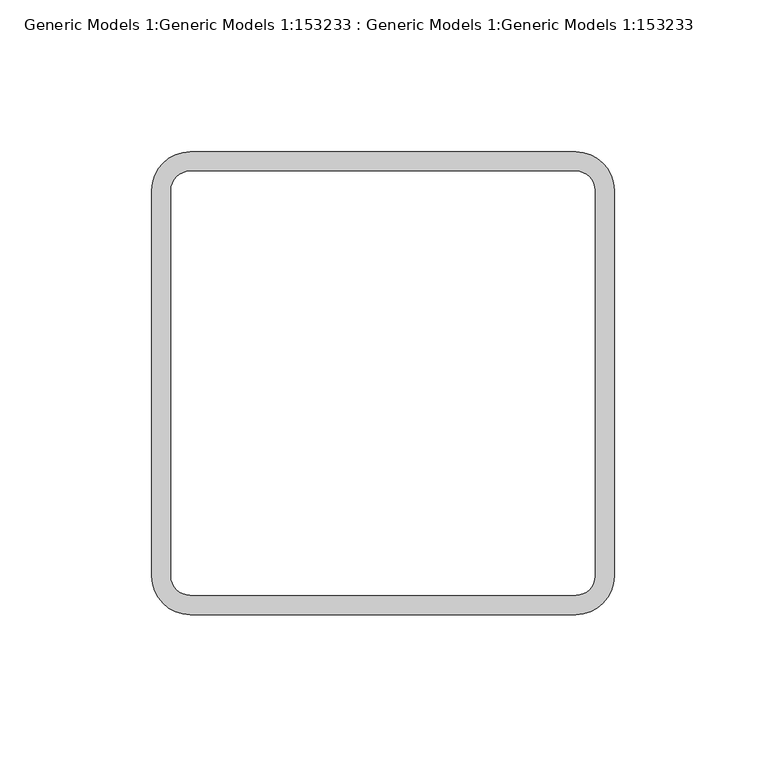
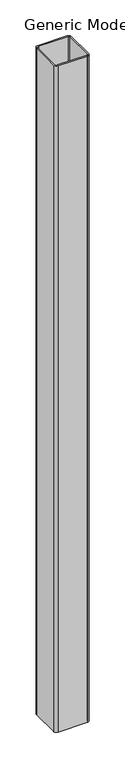
"""IFC4 building model written with IfcOpenShell, lengths in millimetres: proxy geometry, Generic Models 1:Generic Models 1:153233 : Generic Models 1:Generic Models 1:153233."""

from ifc_helpers import new_model, si_unit, point, frame_2d, origin, origin_with_axes, place, context, project, spatial, polyline, circle_curve, trimmed, segment, composite_curve, outline, extrude, source, transform, mapped, element, save


def generic_models_1_generic_models_1_153233_generic_models_1_2c991f72(model_context):
    return source(origin(), model_context, "Body", "SweptSolid", [
        extrude(outline(composite_curve([segment(polyline([(-63.5, 76.2), (63.5, 76.2)]), True, "CONTINUOUS"), segment(trimmed(circle_curve(frame_2d((63.5, 63.5)), 12.7), [point((63.5, 76.2))], [point((76.2, 63.5))], False, "CARTESIAN"), True, "CONTINUOUS"), segment(polyline([(76.2, 63.5), (76.2, -63.5)]), True, "CONTINUOUS"), segment(trimmed(circle_curve(frame_2d((63.5, -63.5)), 12.7), [point((76.2, -63.5))], [point((63.5, -76.2))], False, "CARTESIAN"), True, "CONTINUOUS"), segment(polyline([(63.5, -76.2), (-63.5, -76.2)]), True, "CONTINUOUS"), segment(trimmed(circle_curve(frame_2d((-63.5, -63.5)), 12.7), [point((-63.5, -76.2))], [point((-76.2, -63.5))], False, "CARTESIAN"), True, "CONTINUOUS"), segment(polyline([(-76.2, -63.5), (-76.2, 63.5)]), True, "CONTINUOUS"), segment(trimmed(circle_curve(frame_2d((-63.5, 63.5)), 12.7), [point((-76.2, 63.5))], [point((-63.5, 76.2))], False, "CARTESIAN"), True, "CONTINUOUS")], self_intersect=False), holes=[composite_curve([segment(trimmed(circle_curve(frame_2d((63.5, 63.5)), 6.35), [point((69.85, 63.5))], [point((63.5, 69.85))], True, "CARTESIAN"), True, "CONTINUOUS"), segment(polyline([(63.5, 69.85), (-63.5, 69.85)]), True, "CONTINUOUS"), segment(trimmed(circle_curve(frame_2d((-63.5, 63.5)), 6.35), [point((-63.5, 69.85))], [point((-69.85, 63.5))], True, "CARTESIAN"), True, "CONTINUOUS"), segment(polyline([(-69.85, 63.5), (-69.85, -63.5)]), True, "CONTINUOUS"), segment(trimmed(circle_curve(frame_2d((-63.5, -63.5)), 6.35), [point((-69.85, -63.5))], [point((-63.5, -69.85))], True, "CARTESIAN"), True, "CONTINUOUS"), segment(polyline([(-63.5, -69.85), (63.5, -69.85)]), True, "CONTINUOUS"), segment(trimmed(circle_curve(frame_2d((63.5, -63.5)), 6.35), [point((63.5, -69.85))], [point((69.85, -63.5))], True, "CARTESIAN"), True, "CONTINUOUS"), segment(polyline([(69.85, -63.5), (69.85, 63.5)]), True, "CONTINUOUS")], self_intersect=False)]), origin_with_axes(), (0.0, 0.0, 1.0), 3048.0),
    ])


if __name__ == "__main__":
    model = new_model("IFC4")
    model_context = context("Model", 3, world=origin())
    ifc_project = project(units=[si_unit("LENGTHUNIT", "METRE", prefix="MILLI")], contexts=[model_context])
    site = spatial("IfcSite", under=ifc_project)
    building = spatial("IfcBuilding", under=site)
    placement = place(None, origin())
    generic_models_1_generic_models_1_153233_generic_models_1_shape = generic_models_1_generic_models_1_153233_generic_models_1_2c991f72(model_context)
    element("IfcBuildingElementProxy", 1, Name="Generic Models 1:Generic Models 1:153233 : Generic Models 1:Generic Models 1:153233", ObjectType="Generic Models 1:Generic Models 1:153233 : Generic Models 1:Generic Models 1:153233", at=placement, inside=building, context=model_context, shape_type="MappedRepresentation", body=[
        mapped(generic_models_1_generic_models_1_153233_generic_models_1_shape, transform((0.0, 0.0, 0.0), x_axis=(1.0, 0.0, 0.0), y_axis=(0.0, 1.0, 0.0), z_axis=(0.0, 0.0, 1.0))),
    ])
    save(model, "model.ifc")
